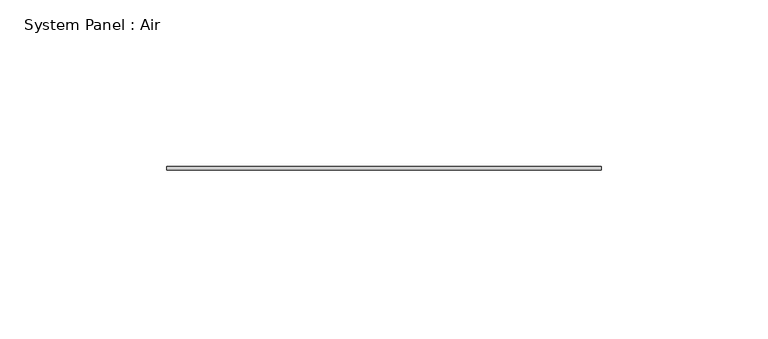
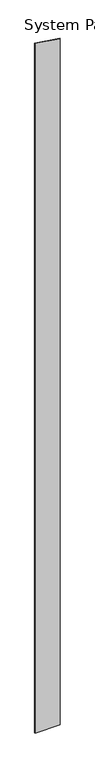
"""IFC4 building model written with IfcOpenShell, lengths in millimetres: plate geometry, System Panel : Air."""

from ifc_helpers import new_model, si_unit, frame, origin, place, context, project, spatial, polyline, outline, extrude, source, transform, mapped, element, save


def system_panel_air_d2eb3fca(model_context):
    return source(origin(), model_context, "Body", "SweptSolid", [
        extrude(outline(polyline([(0.0, -65.0), (0.0, 65.0), (3734.0197247, 65.0), (3753.2751484, -65.0), (0.0, -65.0)])), frame((0.0, 36.5, 0.0), z_axis=(0.0, 1.0, 0.0), x_axis=(0.0, 0.0, 1.0)), (0.0, 0.0, 1.0), 1.0),
    ])


if __name__ == "__main__":
    model = new_model("IFC4")
    model_context = context("Model", 3, world=origin())
    ifc_project = project(units=[si_unit("LENGTHUNIT", "METRE", prefix="MILLI")], contexts=[model_context])
    site = spatial("IfcSite", under=ifc_project)
    building = spatial("IfcBuilding", under=site)
    placement = place(None, origin())
    system_panel_air_shape = system_panel_air_d2eb3fca(model_context)
    element("IfcPlate", 1, ObjectType="System Panel : Air", at=placement, inside=building, context=model_context, shape_type="MappedRepresentation", body=[
        mapped(system_panel_air_shape, transform((0.0, 0.0, 0.0), x_axis=(1.0, 0.0, 0.0), y_axis=(0.0, 1.0, 0.0), z_axis=(0.0, 0.0, 1.0))),
    ])
    save(model, "model.ifc")
